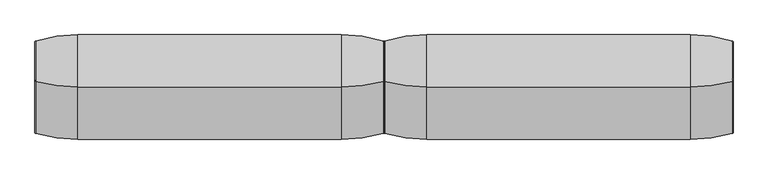
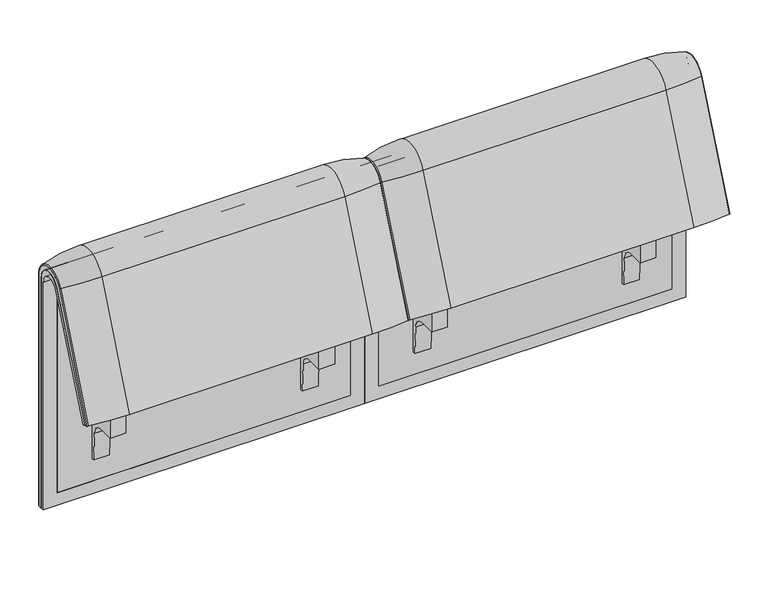
"""IFC4 building model written with IfcOpenShell, lengths in millimetres: furniture geometry."""

from ifc_helpers import new_model, si_unit, point, frame, frame_2d, origin, place, context, project, spatial, polyline, circle_curve, ellipse_curve, trimmed, segment, composite_curve, outline, extrude, source, transform, mapped, element, save
from ifc_brep_helpers import plane_surface, cylinder_surface, revolved_surface, advanced_brep


def furniture_64633e36(model_context):
    return source(origin(), model_context, "Body", "SolidModel", [
        advanced_brep(
        [(815.997793, 351.0000061, 101.8476716), (815.997793, 359.7858817, 101.8476716), (815.997793, 359.7858817, 720.3417731), (815.997793, 292.4403877, 733.7122262), (815.997793, 170.1966807, 437.98305), (815.997793, 175.0204081, 435.9866665), (815.997793, 296.2458652, 723.9869215), (815.997793, 351.0000061, 712.9272623), (0.0165441, 351.0000061, 101.8476716), (0.0165441, 351.0000061, 712.9272623), (0.0165441, 296.2720241, 723.9759107), (0.0165441, 175.0204081, 435.9866665), (0.0165441, 170.1966807, 437.98305), (0.0165441, 292.4403877, 733.7122262), (0.0165441, 359.7858817, 720.3417731), (0.0165441, 359.7858817, 101.8476716), (781.0812488, 292.4403877, 733.7122262), (781.0812488, 176.0980387, 452.25948), (34.9, 176.0980387, 452.25948), (34.9, 292.4403877, 733.7122262), (34.9, 296.2458652, 723.9869215), (34.9, 181.0136548, 450.2250668), (781.0812488, 181.0136548, 450.2250668), (781.0812488, 296.2458652, 723.9869215), (781.0812488, 351.0000061, 712.9272623), (781.0812488, 351.0000061, 135.3766997), (34.9, 351.0000061, 135.3766997), (34.9, 351.0000061, 712.9272623), (34.9, 359.7858817, 720.3417731), (34.9, 359.7858817, 135.3766997), (781.0812488, 359.7858817, 135.3766997), (781.0812488, 359.7858817, 720.3417731)],
        [
            (0, 1),
            (1, 2),
            (2, 3, circle_curve(frame((815.997793, 324.7858817, 720.3417731), z_axis=(1.0, 0.0, 0.0), x_axis=(0.0, -1.0, 0.0)), 35.0)),
            (3, 4),
            (4, 5),
            (5, 6),
            (6, 7, circle_curve(frame((815.997793, 322.520748, 712.9272623), z_axis=(-1.0, 0.0, 0.0), x_axis=(0.0, -1.0, 0.0)), 28.479258)),
            (7, 0),
            (8, 9),
            (9, 10, circle_curve(frame((0.0165441, 322.520748, 712.9272623), z_axis=(1.0, 0.0, 0.0), x_axis=(0.0, -1.0, 0.0)), 28.479258)),
            (10, 11),
            (11, 12),
            (12, 13),
            (13, 14, circle_curve(frame((0.0165441, 324.7858817, 720.3417731), z_axis=(-1.0, 0.0, 0.0), x_axis=(0.0, -1.0, 0.0)), 35.0)),
            (14, 15),
            (15, 8),
            (3, 16),
            (16, 17),
            (17, 18),
            (18, 19),
            (19, 13),
            (12, 4),
            (11, 5),
            (10, 20),
            (20, 21),
            (21, 22),
            (22, 23),
            (23, 6),
            (7, 24),
            (24, 25),
            (25, 26),
            (26, 27),
            (27, 9),
            (8, 0),
            (15, 1),
            (14, 28),
            (28, 29),
            (29, 30),
            (30, 31),
            (31, 2),
            (31, 16, circle_curve(frame((781.0812488, 324.7858817, 720.3417731), z_axis=(1.0, 0.0, 0.0), x_axis=(0.0, -1.0, 0.0)), 35.0)),
            (19, 28, circle_curve(frame((34.9, 324.7858817, 720.3417731), z_axis=(-1.0, 0.0, 0.0), x_axis=(0.0, -1.0, 0.0)), 35.0)),
            (23, 24, circle_curve(frame((781.0812488, 322.520748, 712.9272623), z_axis=(-1.0, 0.0, 0.0), x_axis=(0.0, -1.0, 0.0)), 28.479258)),
            (27, 20, circle_curve(frame((34.9, 322.520748, 712.9272623), z_axis=(1.0, 0.0, 0.0), x_axis=(0.0, -1.0, 0.0)), 28.479258)),
            (22, 17),
            (30, 25),
            (26, 29),
            (18, 21),
        ],
        [
            plane_surface(frame((815.997793, 359.7858817, 101.8476716), z_axis=(1.0, 0.0, 0.0), x_axis=(0.0, 1.0, 0.0))),
            plane_surface(frame((0.0165441, 359.7858817, 101.8476716), z_axis=(-1.0, 0.0, 0.0), x_axis=(0.0, -1.0, 0.0))),
            plane_surface(frame((815.997793, 292.4403877, 733.7122262), z_axis=(0.0, -0.9241569717933176, 0.3820129467515535), x_axis=(-1.0, 0.0, 0.0))),
            plane_surface(frame((815.997793, 170.1966807, 437.98305), z_axis=(0.0, -0.38241039441983893, -0.9239925812687368), x_axis=(-1.0, 0.0, 0.0))),
            plane_surface(frame((815.997793, 175.0204081, 435.9866665), z_axis=(0.0, 0.921678643444566, -0.3879542218073993), x_axis=(-1.0, 0.0, 0.0))),
            plane_surface(frame((815.997793, 351.0000061, 712.9272623), z_axis=(0.0, -1.0, 0.0), x_axis=(-1.0, 0.0, 0.0))),
            plane_surface(frame((815.997793, 351.0000061, 101.8476716), z_axis=(0.0, 0.0, -1.0), x_axis=(-1.0, 0.0, 0.0))),
            plane_surface(frame((815.997793, 359.7858817, 101.8476716), z_axis=(0.0, 1.0, 0.0), x_axis=(-1.0, 0.0, 0.0))),
            cylinder_surface(frame((0.0165441, 324.7858817, 720.3417731), z_axis=(1.0, 0.0, 0.0), x_axis=(0.0, -1.0, 0.0)), 35.0),
            revolved_surface(polyline([(781.0812488, 294.04149, 712.9272623), (815.997793, 294.04149, 712.9272623)]), (0.0165441, 322.520748, 712.9272623), (-1.0, 0.0, 0.0)),
            revolved_surface(polyline([(0.0165441, 294.04149, 712.9272623), (34.9, 294.04149, 712.9272623)]), (0.0165441, 322.520748, 712.9272623), (-1.0, 0.0, 0.0)),
            plane_surface(frame((781.0812488, 359.7858817, 135.3766997), z_axis=(-1.0, 0.0, 0.0), x_axis=(0.0, 1.0, 0.0))),
            plane_surface(frame((34.9, 359.7858817, 135.3766997), z_axis=(1.0, 0.0, 0.0), x_axis=(0.0, -1.0, 0.0))),
            plane_surface(frame((781.0812488, 166.9120641, 456.0612553), z_axis=(0.0, 0.38241039441982605, 0.9239925812687422), x_axis=(-1.0, 0.0, 0.0))),
            plane_surface(frame((781.0812488, 344.7858817, 135.3766997), z_axis=(0.0, 0.0, 1.0), x_axis=(-1.0, 0.0, 0.0))),
        ],
        [
            (0, [[1, 2, 3, 4, 5, 6, 7, 8]]),
            (1, [[9, 10, 11, 12, 13, 14, 15, 16]]),
            (2, [[-4, 17, 18, 19, 20, 21, -13, 22]]),
            (3, [[-5, -22, -12, 23]]),
            (4, [[-6, -23, -11, 24, 25, 26, 27, 28]]),
            (5, [[-8, 29, 30, 31, 32, 33, -9, 34]]),
            (6, [[-1, -34, -16, 35]]),
            (7, [[-2, -35, -15, 36, 37, 38, 39, 40]]),
            (8, [[-3, -40, 41, -17]]),
            (8, [[-14, -21, 42, -36]]),
            (9, [[-7, -28, 43, -29]]),
            (10, [[-10, -33, 44, -24]]),
            (11, [[45, -18, -41, -39, 46, -30, -43, -27]]),
            (12, [[47, -37, -42, -20, 48, -25, -44, -32]]),
            (13, [[-45, -26, -48, -19]]),
            (14, [[-46, -38, -47, -31]]),
        ],
    ),
        advanced_brep(
        [(781.0812488, 351.0000061, 135.3766997), (781.0812488, 359.7858817, 135.3766997), (781.0812488, 359.7858817, 720.3417731), (781.0812488, 292.4403877, 733.7122262), (781.0812488, 176.0980387, 452.25948), (781.0812488, 181.0136548, 450.2250668), (781.0812488, 296.2458652, 723.9869215), (781.0812488, 351.0000061, 712.9272623), (34.9, 351.0000061, 135.3766997), (34.9, 351.0000061, 712.9272623), (34.9, 296.2720241, 723.9759107), (34.9, 181.0136548, 450.2250668), (34.9, 176.0980387, 452.25948), (34.9, 292.4403877, 733.7122262), (34.9, 359.7858817, 720.3417731), (34.9, 359.7858817, 135.3766997)],
        [
            (0, 1),
            (1, 2),
            (2, 3, circle_curve(frame((781.0812488, 324.7858817, 720.3417731), z_axis=(1.0, 0.0, 0.0), x_axis=(0.0, -1.0, 0.0)), 35.0)),
            (3, 4),
            (4, 5),
            (5, 6),
            (6, 7, circle_curve(frame((781.0812488, 322.520748, 712.9272623), z_axis=(-1.0, 0.0, 0.0), x_axis=(0.0, -1.0, 0.0)), 28.479258)),
            (7, 0),
            (8, 9),
            (9, 10, circle_curve(frame((34.9, 322.520748, 712.9272623), z_axis=(1.0, 0.0, 0.0), x_axis=(0.0, -1.0, 0.0)), 28.479258)),
            (10, 11),
            (11, 12),
            (12, 13),
            (13, 14, circle_curve(frame((34.9, 324.7858817, 720.3417731), z_axis=(-1.0, 0.0, 0.0), x_axis=(0.0, -1.0, 0.0)), 35.0)),
            (14, 15),
            (15, 8),
            (3, 13),
            (12, 4),
            (11, 5),
            (10, 6),
            (7, 9),
            (8, 0),
            (15, 1),
            (14, 2),
        ],
        [
            plane_surface(frame((781.0812488, 359.7858817, 135.3766997), z_axis=(1.0, 0.0, 0.0), x_axis=(0.0, 1.0, 0.0))),
            plane_surface(frame((34.9, 359.7858817, 135.3766997), z_axis=(-1.0, 0.0, 0.0), x_axis=(0.0, -1.0, 0.0))),
            plane_surface(frame((781.0812488, 292.4403877, 733.7122262), z_axis=(0.0, -0.9241569717933176, 0.3820129467515535), x_axis=(-1.0, 0.0, 0.0))),
            plane_surface(frame((781.0812488, 176.0980387, 452.25948), z_axis=(0.0, -0.38241039441982716, -0.9239925812687417), x_axis=(-1.0, 0.0, 0.0))),
            plane_surface(frame((781.0812488, 181.0136548, 450.2250668), z_axis=(0.0, 0.921678643444566, -0.3879542218073993), x_axis=(-1.0, 0.0, 0.0))),
            plane_surface(frame((781.0812488, 351.0000061, 712.9272623), z_axis=(0.0, -1.0, 0.0), x_axis=(-1.0, 0.0, 0.0))),
            plane_surface(frame((781.0812488, 351.0000061, 135.3766997), z_axis=(0.0, 0.0, -1.0), x_axis=(-1.0, 0.0, 0.0))),
            plane_surface(frame((781.0812488, 359.7858817, 135.3766997), z_axis=(0.0, 1.0, 0.0), x_axis=(-1.0, 0.0, 0.0))),
            cylinder_surface(frame((34.9, 324.7858817, 720.3417731), z_axis=(1.0, 0.0, 0.0), x_axis=(0.0, -1.0, 0.0)), 35.0),
            revolved_surface(polyline([(34.9, 294.04149, 712.9272623), (781.0812488, 294.04149, 712.9272623)]), (34.9, 322.520748, 712.9272623), (-1.0, 0.0, 0.0)),
        ],
        [
            (0, [[1, 2, 3, 4, 5, 6, 7, 8]]),
            (1, [[9, 10, 11, 12, 13, 14, 15, 16]]),
            (2, [[-4, 17, -13, 18]]),
            (3, [[-5, -18, -12, 19]]),
            (4, [[-6, -19, -11, 20]]),
            (5, [[-8, 21, -9, 22]]),
            (6, [[-1, -22, -16, 23]]),
            (7, [[-2, -23, -15, 24]]),
            (8, [[-3, -24, -14, -17]]),
            (9, [[-7, -20, -10, -21]]),
        ],
    ),
        extrude(outline(composite_curve([segment(trimmed(circle_curve(frame_2d((305.0000061, 379.9223263)), 30.0), [point((305.0000061, 349.9223263))], [point((335.0000061, 379.9223263))], True, "CARTESIAN"), True, "CONTINUOUS"), segment(polyline([(335.0000061, 379.9223263), (335.0000061, 515.0657595)]), True, "CONTINUOUS"), segment(trimmed(circle_curve(frame_2d((305.0000061, 515.0657595)), 30.0), [point((335.0000061, 515.0657595))], [point((316.7219399, 542.6809051))], True, "CARTESIAN"), True, "CONTINUOUS"), segment(polyline([(316.7219399, 542.6809051), (257.4911714, 567.8228747)]), True, "CONTINUOUS"), segment(trimmed(circle_curve(frame_2d((251.6302045, 554.0153019)), 15.0), [point((257.4911714, 567.8228747))], [point((238.0355877, 560.3545758))], True, "CARTESIAN"), True, "CONTINUOUS"), segment(polyline([(238.0355877, 560.3545758), (222.2725218, 526.5505721), (213.7507451, 529.5682915), (296.3054528, 724.0549949)]), True, "CONTINUOUS"), segment(trimmed(circle_curve(frame_2d((322.520748, 712.9272623)), 28.479258), [point((296.3054528, 724.0549949))], [point((351.0000061, 712.9272623))], False, "CARTESIAN"), True, "CONTINUOUS"), segment(polyline([(351.0000061, 712.9272623), (351.0000061, 197.0551771), (343.3075759, 197.0551771), (339.4064861, 271.492405)]), True, "CONTINUOUS"), segment(trimmed(circle_curve(frame_2d((309.4476, 269.9223263)), 30.0), [point((339.4064861, 271.492405))], [point((309.4476, 299.9223263))], True, "CARTESIAN"), True, "CONTINUOUS"), segment(polyline([(309.4476, 299.9223263), (270.0000061, 299.9223263), (270.0000061, 359.9223263), (275.0000061, 359.9223263)]), True, "CONTINUOUS"), segment(trimmed(circle_curve(frame_2d((285.0000061, 359.9223263)), 10.0), [point((275.0000061, 359.9223263))], [point((285.0000061, 349.9223263))], True, "CARTESIAN"), True, "CONTINUOUS"), segment(polyline([(285.0000061, 349.9223263), (305.0000061, 349.9223263)]), True, "CONTINUOUS")], self_intersect=False), holes=[composite_curve([segment(polyline([(337.5000061, 576.3274105), (337.5000061, 716.7072663)]), True, "CONTINUOUS"), segment(trimmed(circle_curve(frame_2d((322.5000061, 716.7072663)), 15.0), [point((337.5000061, 716.7072663))], [point((308.9053893, 723.0465402))], True, "CARTESIAN"), True, "CONTINUOUS"), segment(polyline([(308.9053893, 723.0465402), (253.6256191, 604.4986904)]), True, "CONTINUOUS"), segment(trimmed(circle_curve(frame_2d((271.7517748, 596.0463251)), 20.0), [point((253.6256191, 604.4986904))], [point((265.0756376, 577.1934953))], True, "CARTESIAN"), True, "CONTINUOUS"), segment(polyline([(265.0756376, 577.1934953), (314.1406626, 559.8186587)]), True, "CONTINUOUS"), segment(trimmed(circle_curve(frame_2d((319.9867182, 576.3274105)), 17.5132879), [point((314.1406626, 559.8186587))], [point((337.5000061, 576.3274105))], True, "CARTESIAN"), True, "CONTINUOUS")], self_intersect=False)]), frame((652.9854212, 0.0, 0.0), z_axis=(1.0, 0.0, 0.0), x_axis=(0.0, 1.0, 0.0)), (0.0, 0.0, 1.0), 40.0),
        advanced_brep(
        [(715.997793, 388.2902376, 100.5089435), (813.8591645, 373.93893, 100.5089435), (815.997793, 371.0652495, 100.5089435), (815.997793, 359.7858817, 100.5089435), (-0.0165441, 359.7858817, 100.5089435), (-0.0165441, 371.0652495, 100.5089435), (2.1220844, 373.93893, 100.5089435), (99.9834559, 388.2902376, 100.5089435), (99.9834559, 388.2902376, 720.3417731), (715.997793, 388.2902376, 720.3417731), (813.8591645, 373.93893, 720.3417731), (815.997793, 371.0652495, 720.3417731), (815.997793, 282.0164812, 738.0210907), (815.997793, 159.7723383, 442.2908598), (815.997793, 170.1962447, 437.9819952), (815.997793, 292.4403877, 733.7122262), (815.997793, 359.7858817, 720.3417731), (-0.0165441, 359.7858817, 720.3417731), (715.997793, 143.8537454, 448.8710282), (99.9834559, 143.8537454, 448.8710282), (2.1220844, 157.1166065, 443.3886429), (-0.0165441, 159.7723383, 442.2908598), (-0.0165441, 170.1962447, 437.9819952), (813.8591645, 157.1166065, 443.3886429), (715.997793, 266.0978884, 744.6012592), (99.9834559, 266.0978884, 744.6012592), (813.8591645, 279.3607494, 739.1188739), (-0.0165441, 292.4403877, 733.7122262), (-0.0165441, 282.0164812, 738.0210907), (-0.0165441, 371.0652495, 720.3417731), (2.1220844, 373.93893, 720.3417731), (2.1220844, 279.3607494, 739.1188739)],
        [
            (0, 1, circle_curve(frame((715.997793, 47.4569043, 100.5089435), z_axis=(0.0, 0.0, -1.0), x_axis=(0.0, -1.0, 0.0)), 340.8333333)),
            (1, 2, circle_curve(frame((812.997793, 371.0652495, 100.5089435), z_axis=(0.0, 0.0, -1.0), x_axis=(1.0, 0.0, 0.0)), 3.0)),
            (2, 3),
            (3, 4),
            (4, 5),
            (5, 6, circle_curve(frame((2.9834559, 371.0652495, 100.5089435), z_axis=(0.0, 0.0, -1.0), x_axis=(-1.0, 0.0, 0.0)), 3.0)),
            (6, 7, circle_curve(frame((99.9834559, 47.4569043, 100.5089435), z_axis=(0.0, 0.0, -1.0), x_axis=(0.0, -1.0, 0.0)), 340.8333333)),
            (7, 0),
            (7, 8),
            (8, 9),
            (9, 0),
            (9, 10, circle_curve(frame((715.997793, 47.4569043, 720.3417731), z_axis=(0.0, 0.0, -1.0), x_axis=(0.0, -1.0, 0.0)), 340.8333333)),
            (10, 1),
            (10, 11, circle_curve(frame((812.997793, 371.0652495, 720.3417731), z_axis=(0.0, 0.0, -1.0), x_axis=(1.0, 0.0, 0.0)), 3.0)),
            (11, 2),
            (11, 12, circle_curve(frame((815.997793, 324.7858817, 720.3417731), z_axis=(1.0, 0.0, 0.0), x_axis=(0.0, 1.0, 0.0)), 46.2793679)),
            (12, 13),
            (13, 14),
            (14, 15),
            (15, 16, circle_curve(frame((815.997793, 324.7858817, 720.3417731), z_axis=(-1.0, 0.0, 0.0), x_axis=(0.0, 1.0, 0.0)), 35.0)),
            (16, 3),
            (16, 17),
            (17, 4),
            (18, 19),
            (19, 20, circle_curve(frame((99.9834559, 458.8372467, 318.6682822), z_axis=(0.0, -0.38201294675155345, -0.9241569717933176), x_axis=(0.0, 0.9241569717933176, -0.38201294675155345)), 340.8333333)),
            (20, 21, circle_curve(frame((2.9834559, 159.7723383, 442.2908598), z_axis=(0.0, -0.38201294675155345, -0.9241569717933176), x_axis=(-1.0, 0.0, 0.0)), 3.0)),
            (21, 22),
            (22, 14),
            (13, 23, circle_curve(frame((812.997793, 159.7723383, 442.2908598), z_axis=(0.0, -0.38201294675155345, -0.9241569717933176), x_axis=(1.0, 0.0, 0.0)), 3.0)),
            (23, 18, circle_curve(frame((715.997793, 458.8372467, 318.6682822), z_axis=(0.0, -0.38201294675155345, -0.9241569717933176), x_axis=(0.0, 0.9241569717933176, -0.38201294675155345)), 340.8333333)),
            (24, 9, circle_curve(frame((715.997793, 324.7858817, 720.3417731), z_axis=(-1.0, 0.0, 0.0), x_axis=(0.0, 1.0, 0.0)), 63.5043559)),
            (8, 25, circle_curve(frame((99.9834559, 324.7858817, 720.3417731), z_axis=(1.0, 0.0, 0.0), x_axis=(0.0, 1.0, 0.0)), 63.5043559)),
            (25, 24),
            (26, 10, circle_curve(frame((813.8591645, 324.7858817, 720.3417731), z_axis=(-1.0, 0.0, 0.0), x_axis=(0.0, 1.0, 0.0)), 49.1530483)),
            (24, 26, circle_curve(frame((715.997793, 581.0813896, 614.3985132), z_axis=(0.0, 0.382012946751556, 0.9241569717933165), x_axis=(0.0, 0.9241569717933165, -0.382012946751556)), 340.8333333)),
            (26, 12, circle_curve(frame((812.997793, 282.0164812, 738.0210907), z_axis=(0.0, 0.3820129467515552, 0.9241569717933168), x_axis=(1.0, 0.0, 0.0)), 3.0)),
            (27, 17, circle_curve(frame((-0.0165441, 324.7858817, 720.3417731), z_axis=(-1.0, 0.0, 0.0), x_axis=(0.0, 1.0, 0.0)), 35.0)),
            (15, 27),
            (25, 19),
            (18, 24),
            (23, 26),
            (22, 27),
            (21, 28),
            (28, 29, circle_curve(frame((-0.0165441, 324.7858817, 720.3417731), z_axis=(-1.0, 0.0, 0.0), x_axis=(0.0, 1.0, 0.0)), 46.2793679)),
            (29, 5),
            (29, 30, circle_curve(frame((2.9834559, 371.0652495, 720.3417731), z_axis=(0.0, 0.0, -1.0), x_axis=(-1.0, 0.0, 0.0)), 3.0)),
            (30, 6),
            (30, 8, circle_curve(frame((99.9834559, 47.4569043, 720.3417731), z_axis=(0.0, 0.0, -1.0), x_axis=(0.0, -1.0, 0.0)), 340.8333333)),
            (31, 30, circle_curve(frame((2.1220844, 324.7858817, 720.3417731), z_axis=(-1.0, 0.0, 0.0), x_axis=(0.0, 1.0, 0.0)), 49.1530483)),
            (28, 31, circle_curve(frame((2.9834559, 282.0164812, 738.0210907), z_axis=(0.0, 0.3820129467515544, 0.9241569717933172), x_axis=(-1.0, 0.0, 0.0)), 3.0)),
            (31, 25, circle_curve(frame((99.9834559, 581.0813896, 614.3985132), z_axis=(0.0, 0.3820129467515532, 0.9241569717933177), x_axis=(0.0, 0.9241569717933177, -0.3820129467515532)), 340.8333333)),
            (20, 31),
        ],
        [
            plane_surface(frame((412.7556477, 359.7858817, 100.5089435), z_axis=(0.0, 0.0, -1.0), x_axis=(1.0, 0.0, 0.0))),
            plane_surface(frame((99.9834559, 388.2902376, 100.5089435), z_axis=(0.0, 1.0, 0.0), x_axis=(0.0, 0.0, 1.0))),
            cylinder_surface(frame((715.997793, 47.4569043, 100.5089435), z_axis=(0.0, 0.0, -1.0), x_axis=(0.0, -1.0, 0.0)), 340.8333333),
            cylinder_surface(frame((812.997793, 371.0652495, 100.5089435), z_axis=(0.0, 0.0, -1.0), x_axis=(1.0, 0.0, 0.0)), 3.0),
            plane_surface(frame((815.997793, 371.0652495, 100.5089435), z_axis=(1.0, 0.0, 0.0), x_axis=(0.0, 0.0, 1.0))),
            plane_surface(frame((815.997793, 359.7858817, 100.5089435), z_axis=(0.0, -1.0, 0.0), x_axis=(0.0, 0.0, 1.0))),
            plane_surface(frame((412.7556477, 170.1962447, 437.9819952), z_axis=(0.0, -0.38201294675155345, -0.9241569717933176), x_axis=(1.0, 0.0, 0.0))),
            cylinder_surface(frame((412.7556477, 324.7858817, 720.3417731), z_axis=(1.0, 0.0, 0.0), x_axis=(0.0, 1.0, 0.0)), 63.5043559),
            revolved_surface(trimmed(ellipse_curve(frame((715.997793, 47.4569043, 720.3417731), z_axis=(0.0, 0.0, -1.0), x_axis=(0.0, -1.0, 0.0)), 340.8333333, 340.8333333), [point((715.997793, 388.2902376, 720.3417731))], [point((813.8591645, 373.93893, 720.3417731))], True, "CARTESIAN"), (412.7556477, 324.7858817, 720.3417731), (1.0, 0.0, 0.0)),
            revolved_surface(trimmed(ellipse_curve(frame((812.997793, 371.0652495, 720.3417731), z_axis=(0.0, 0.0, -1.0), x_axis=(1.0, 0.0, 0.0)), 3.0, 3.0), [point((813.8591645, 373.93893, 720.3417731))], [point((815.997793, 371.0652495, 720.3417731))], True, "CARTESIAN"), (412.7556477, 324.7858817, 720.3417731), (1.0, 0.0, 0.0)),
            revolved_surface(polyline([(815.997793, 359.7858817, 720.3417731), (-0.01654409999997597, 359.7858817, 720.3417731)]), (412.7556477, 324.7858817, 720.3417731), (1.0, 0.0, 0.0)),
            plane_surface(frame((99.9834559, 266.0978884, 744.6012592), z_axis=(0.0, -0.9241569717933176, 0.38201294675155356), x_axis=(0.0, -0.38201294675155356, -0.9241569717933176))),
            cylinder_surface(frame((715.997793, 581.0813896, 614.3985132), z_axis=(0.0, 0.38201294675155345, 0.9241569717933176), x_axis=(0.0, 0.9241569717933176, -0.38201294675155345)), 340.8333333),
            cylinder_surface(frame((812.997793, 282.0164812, 738.0210907), z_axis=(0.0, 0.38201294675155345, 0.9241569717933176), x_axis=(1.0, 0.0, 0.0)), 3.0),
            plane_surface(frame((815.997793, 292.4403877, 733.7122262), z_axis=(0.0, 0.9241569717933176, -0.38201294675155356), x_axis=(0.0, -0.38201294675155356, -0.9241569717933176))),
            plane_surface(frame((-0.0165441, 359.7858817, 100.5089435), z_axis=(-1.0, 0.0, 0.0), x_axis=(0.0, 0.0, 1.0))),
            cylinder_surface(frame((2.9834559, 371.0652495, 100.5089435), z_axis=(0.0, 0.0, -1.0), x_axis=(-1.0, 0.0, 0.0)), 3.0),
            cylinder_surface(frame((99.9834559, 47.4569043, 100.5089435), z_axis=(0.0, 0.0, -1.0), x_axis=(0.0, -1.0, 0.0)), 340.8333333),
            revolved_surface(trimmed(ellipse_curve(frame((2.9834559, 371.0652495, 720.3417731), z_axis=(0.0, 0.0, -1.0), x_axis=(-1.0, 0.0, 0.0)), 3.0, 3.0), [point((-0.0165441, 371.0652495, 720.3417731))], [point((2.1220844, 373.93893, 720.3417731))], True, "CARTESIAN"), (412.7556477, 324.7858817, 720.3417731), (1.0, 0.0, 0.0)),
            revolved_surface(trimmed(ellipse_curve(frame((99.9834559, 47.4569043, 720.3417731), z_axis=(0.0, 0.0, -1.0), x_axis=(0.0, -1.0, 0.0)), 340.8333333, 340.8333333), [point((2.1220844, 373.93893, 720.3417731))], [point((99.9834559, 388.2902376, 720.3417731))], True, "CARTESIAN"), (412.7556477, 324.7858817, 720.3417731), (1.0, 0.0, 0.0)),
            cylinder_surface(frame((2.9834559, 282.0164812, 738.0210907), z_axis=(0.0, 0.38201294675155345, 0.9241569717933176), x_axis=(-1.0, 0.0, 0.0)), 3.0),
            cylinder_surface(frame((99.9834559, 581.0813896, 614.3985132), z_axis=(0.0, 0.38201294675155345, 0.9241569717933176), x_axis=(0.0, 0.9241569717933176, -0.38201294675155345)), 340.8333333),
        ],
        [
            (0, [[1, 2, 3, 4, 5, 6, 7, 8]]),
            (1, [[-8, 9, 10, 11]]),
            (2, [[-1, -11, 12, 13]]),
            (3, [[-2, -13, 14, 15]]),
            (4, [[-3, -15, 16, 17, 18, 19, 20, 21]]),
            (5, [[-4, -21, 22, 23]]),
            (6, [[24, 25, 26, 27, 28, -18, 29, 30]]),
            (7, [[31, -10, 32, 33]]),
            (8, [[34, -12, -31, 35]]),
            (9, [[-16, -14, -34, 36]]),
            (10, [[37, -22, -20, 38]]),
            (11, [[-33, 39, -24, 40]]),
            (12, [[-35, -40, -30, 41]]),
            (13, [[-36, -41, -29, -17]]),
            (14, [[-38, -19, -28, 42]]),
            (15, [[-5, -23, -37, -42, -27, 43, 44, 45]]),
            (16, [[-6, -45, 46, 47]]),
            (17, [[-7, -47, 48, -9]]),
            (18, [[49, -46, -44, 50]]),
            (19, [[-32, -48, -49, 51]]),
            (20, [[-50, -43, -26, 52]]),
            (21, [[-51, -52, -25, -39]]),
        ],
    ),
        extrude(outline(composite_curve([segment(trimmed(circle_curve(frame_2d((305.0000061, 379.9223263)), 30.0), [point((305.0000061, 349.9223263))], [point((335.0000061, 379.9223263))], True, "CARTESIAN"), True, "CONTINUOUS"), segment(polyline([(335.0000061, 379.9223263), (335.0000061, 515.0657595)]), True, "CONTINUOUS"), segment(trimmed(circle_curve(frame_2d((305.0000061, 515.0657595)), 30.0), [point((335.0000061, 515.0657595))], [point((316.7219399, 542.6809051))], True, "CARTESIAN"), True, "CONTINUOUS"), segment(polyline([(316.7219399, 542.6809051), (257.4911714, 567.8228747)]), True, "CONTINUOUS"), segment(trimmed(circle_curve(frame_2d((251.6302045, 554.0153019)), 15.0), [point((257.4911714, 567.8228747))], [point((238.0355877, 560.3545758))], True, "CARTESIAN"), True, "CONTINUOUS"), segment(polyline([(238.0355877, 560.3545758), (222.2725218, 526.5505721), (213.7507451, 529.5682915), (296.3054528, 724.0549949)]), True, "CONTINUOUS"), segment(trimmed(circle_curve(frame_2d((322.520748, 712.9272623)), 28.479258), [point((296.3054528, 724.0549949))], [point((351.0000061, 712.9272623))], False, "CARTESIAN"), True, "CONTINUOUS"), segment(polyline([(351.0000061, 712.9272623), (351.0000061, 197.0551771), (343.3075759, 197.0551771), (339.4064861, 271.492405)]), True, "CONTINUOUS"), segment(trimmed(circle_curve(frame_2d((309.4476, 269.9223263)), 30.0), [point((339.4064861, 271.492405))], [point((309.4476, 299.9223263))], True, "CARTESIAN"), True, "CONTINUOUS"), segment(polyline([(309.4476, 299.9223263), (270.0000061, 299.9223263), (270.0000061, 359.9223263), (275.0000061, 359.9223263)]), True, "CONTINUOUS"), segment(trimmed(circle_curve(frame_2d((285.0000061, 359.9223263)), 10.0), [point((275.0000061, 359.9223263))], [point((285.0000061, 349.9223263))], True, "CARTESIAN"), True, "CONTINUOUS"), segment(polyline([(285.0000061, 349.9223263), (305.0000061, 349.9223263)]), True, "CONTINUOUS")], self_intersect=False), holes=[composite_curve([segment(polyline([(337.5000061, 576.3274105), (337.5000061, 716.7072663)]), True, "CONTINUOUS"), segment(trimmed(circle_curve(frame_2d((322.5000061, 716.7072663)), 15.0), [point((337.5000061, 716.7072663))], [point((308.9053893, 723.0465402))], True, "CARTESIAN"), True, "CONTINUOUS"), segment(polyline([(308.9053893, 723.0465402), (253.6256191, 604.4986904)]), True, "CONTINUOUS"), segment(trimmed(circle_curve(frame_2d((271.7517748, 596.0463251)), 20.0), [point((253.6256191, 604.4986904))], [point((265.0756376, 577.1934953))], True, "CARTESIAN"), True, "CONTINUOUS"), segment(polyline([(265.0756376, 577.1934953), (314.1406626, 559.8186587)]), True, "CONTINUOUS"), segment(trimmed(circle_curve(frame_2d((319.9867182, 576.3274105)), 17.5132879), [point((314.1406626, 559.8186587))], [point((337.5000061, 576.3274105))], True, "CARTESIAN"), True, "CONTINUOUS")], self_intersect=False)]), frame((122.9958276, 0.0, 0.0), z_axis=(1.0, 0.0, 0.0), x_axis=(0.0, 1.0, 0.0)), (0.0, 0.0, 1.0), 40.0),
        advanced_brep(
        [(0.0165441, 351.0000061, 101.8476716), (0.0165441, 359.7858817, 101.8476716), (0.0165441, 359.7858817, 720.3417731), (0.0165441, 292.4403877, 733.7122262), (0.0165441, 170.1966807, 437.98305), (0.0165441, 175.0204081, 435.9866665), (0.0165441, 296.2458652, 723.9869215), (0.0165441, 351.0000061, 712.9272623), (-815.9647047, 351.0000061, 101.8476716), (-815.9647047, 351.0000061, 712.9272623), (-815.9647047, 296.2720241, 723.9759107), (-815.9647047, 175.0204081, 435.9866665), (-815.9647047, 170.1966807, 437.98305), (-815.9647047, 292.4403877, 733.7122262), (-815.9647047, 359.7858817, 720.3417731), (-815.9647047, 359.7858817, 101.8476716), (-34.9, 292.4403877, 733.7122262), (-34.9, 176.0980387, 452.25948), (-781.0812488, 176.0980387, 452.25948), (-781.0812488, 292.4403877, 733.7122262), (-781.0812488, 296.2458652, 723.9869215), (-781.0812488, 181.0136548, 450.2250668), (-34.9, 181.0136548, 450.2250668), (-34.9, 296.2458652, 723.9869215), (-34.9, 351.0000061, 712.9272623), (-34.9, 351.0000061, 135.3766997), (-781.0812488, 351.0000061, 135.3766997), (-781.0812488, 351.0000061, 712.9272623), (-781.0812488, 359.7858817, 720.3417731), (-781.0812488, 359.7858817, 135.3766997), (-34.9, 359.7858817, 135.3766997), (-34.9, 359.7858817, 720.3417731)],
        [
            (0, 1),
            (1, 2),
            (2, 3, circle_curve(frame((0.0165441, 324.7858817, 720.3417731), z_axis=(1.0, 0.0, 0.0), x_axis=(0.0, -1.0, 0.0)), 35.0)),
            (3, 4),
            (4, 5),
            (5, 6),
            (6, 7, circle_curve(frame((0.0165441, 322.520748, 712.9272623), z_axis=(-1.0, 0.0, 0.0), x_axis=(0.0, -1.0, 0.0)), 28.479258)),
            (7, 0),
            (8, 9),
            (9, 10, circle_curve(frame((-815.9647047, 322.520748, 712.9272623), z_axis=(1.0, 0.0, 0.0), x_axis=(0.0, -1.0, 0.0)), 28.479258)),
            (10, 11),
            (11, 12),
            (12, 13),
            (13, 14, circle_curve(frame((-815.9647047, 324.7858817, 720.3417731), z_axis=(-1.0, 0.0, 0.0), x_axis=(0.0, -1.0, 0.0)), 35.0)),
            (14, 15),
            (15, 8),
            (3, 16),
            (16, 17),
            (17, 18),
            (18, 19),
            (19, 13),
            (12, 4),
            (11, 5),
            (10, 20),
            (20, 21),
            (21, 22),
            (22, 23),
            (23, 6),
            (7, 24),
            (24, 25),
            (25, 26),
            (26, 27),
            (27, 9),
            (8, 0),
            (15, 1),
            (14, 28),
            (28, 29),
            (29, 30),
            (30, 31),
            (31, 2),
            (31, 16, circle_curve(frame((-34.9, 324.7858817, 720.3417731), z_axis=(1.0, 0.0, 0.0), x_axis=(0.0, -1.0, 0.0)), 35.0)),
            (19, 28, circle_curve(frame((-781.0812488, 324.7858817, 720.3417731), z_axis=(-1.0, 0.0, 0.0), x_axis=(0.0, -1.0, 0.0)), 35.0)),
            (23, 24, circle_curve(frame((-34.9, 322.520748, 712.9272623), z_axis=(-1.0, 0.0, 0.0), x_axis=(0.0, -1.0, 0.0)), 28.479258)),
            (27, 20, circle_curve(frame((-781.0812488, 322.520748, 712.9272623), z_axis=(1.0, 0.0, 0.0), x_axis=(0.0, -1.0, 0.0)), 28.479258)),
            (22, 17),
            (30, 25),
            (26, 29),
            (18, 21),
        ],
        [
            plane_surface(frame((0.0165441, 359.7858817, 101.8476716), z_axis=(1.0, 0.0, 0.0), x_axis=(0.0, 1.0, 0.0))),
            plane_surface(frame((-815.9647047, 359.7858817, 101.8476716), z_axis=(-1.0, 0.0, 0.0), x_axis=(0.0, -1.0, 0.0))),
            plane_surface(frame((0.0165441, 292.4403877, 733.7122262), z_axis=(0.0, -0.9241569717933176, 0.3820129467515535), x_axis=(-1.0, 0.0, 0.0))),
            plane_surface(frame((0.0165441, 170.1966807, 437.98305), z_axis=(0.0, -0.38241039441983893, -0.9239925812687368), x_axis=(-1.0, 0.0, 0.0))),
            plane_surface(frame((0.0165441, 175.0204081, 435.9866665), z_axis=(0.0, 0.921678643444566, -0.3879542218073993), x_axis=(-1.0, 0.0, 0.0))),
            plane_surface(frame((0.0165441, 351.0000061, 712.9272623), z_axis=(0.0, -1.0, 0.0), x_axis=(-1.0, 0.0, 0.0))),
            plane_surface(frame((0.0165441, 351.0000061, 101.8476716), z_axis=(0.0, 0.0, -1.0), x_axis=(-1.0, 0.0, 0.0))),
            plane_surface(frame((0.0165441, 359.7858817, 101.8476716), z_axis=(0.0, 1.0, 0.0), x_axis=(-1.0, 0.0, 0.0))),
            cylinder_surface(frame((-815.9647047, 324.7858817, 720.3417731), z_axis=(1.0, 0.0, 0.0), x_axis=(0.0, -1.0, 0.0)), 35.0),
            revolved_surface(polyline([(-34.89999999999998, 294.04149, 712.9272623), (0.016544100000032813, 294.04149, 712.9272623)]), (-815.9647047, 322.520748, 712.9272623), (-1.0, 0.0, 0.0)),
            revolved_surface(polyline([(-815.9647047, 294.04149, 712.9272623), (-781.0812488, 294.04149, 712.9272623)]), (-815.9647047, 322.520748, 712.9272623), (-1.0, 0.0, 0.0)),
            plane_surface(frame((-34.9, 359.7858817, 135.3766997), z_axis=(-1.0, 0.0, 0.0), x_axis=(0.0, 1.0, 0.0))),
            plane_surface(frame((-781.0812488, 359.7858817, 135.3766997), z_axis=(1.0, 0.0, 0.0), x_axis=(0.0, -1.0, 0.0))),
            plane_surface(frame((-34.9, 166.9120641, 456.0612553), z_axis=(0.0, 0.38241039441982605, 0.9239925812687422), x_axis=(-1.0, 0.0, 0.0))),
            plane_surface(frame((-34.9, 344.7858817, 135.3766997), z_axis=(0.0, 0.0, 1.0), x_axis=(-1.0, 0.0, 0.0))),
        ],
        [
            (0, [[1, 2, 3, 4, 5, 6, 7, 8]]),
            (1, [[9, 10, 11, 12, 13, 14, 15, 16]]),
            (2, [[-4, 17, 18, 19, 20, 21, -13, 22]]),
            (3, [[-5, -22, -12, 23]]),
            (4, [[-6, -23, -11, 24, 25, 26, 27, 28]]),
            (5, [[-8, 29, 30, 31, 32, 33, -9, 34]]),
            (6, [[-1, -34, -16, 35]]),
            (7, [[-2, -35, -15, 36, 37, 38, 39, 40]]),
            (8, [[-3, -40, 41, -17]]),
            (8, [[-14, -21, 42, -36]]),
            (9, [[-7, -28, 43, -29]]),
            (10, [[-10, -33, 44, -24]]),
            (11, [[45, -18, -41, -39, 46, -30, -43, -27]]),
            (12, [[47, -37, -42, -20, 48, -25, -44, -32]]),
            (13, [[-45, -26, -48, -19]]),
            (14, [[-46, -38, -47, -31]]),
        ],
    ),
        advanced_brep(
        [(-34.9, 351.0000061, 135.3766997), (-34.9, 359.7858817, 135.3766997), (-34.9, 359.7858817, 720.3417731), (-34.9, 292.4403877, 733.7122262), (-34.9, 176.0980387, 452.25948), (-34.9, 181.0136548, 450.2250668), (-34.9, 296.2458652, 723.9869215), (-34.9, 351.0000061, 712.9272623), (-781.0812488, 351.0000061, 135.3766997), (-781.0812488, 351.0000061, 712.9272623), (-781.0812488, 296.2720241, 723.9759107), (-781.0812488, 181.0136548, 450.2250668), (-781.0812488, 176.0980387, 452.25948), (-781.0812488, 292.4403877, 733.7122262), (-781.0812488, 359.7858817, 720.3417731), (-781.0812488, 359.7858817, 135.3766997)],
        [
            (0, 1),
            (1, 2),
            (2, 3, circle_curve(frame((-34.9, 324.7858817, 720.3417731), z_axis=(1.0, 0.0, 0.0), x_axis=(0.0, -1.0, 0.0)), 35.0)),
            (3, 4),
            (4, 5),
            (5, 6),
            (6, 7, circle_curve(frame((-34.9, 322.520748, 712.9272623), z_axis=(-1.0, 0.0, 0.0), x_axis=(0.0, -1.0, 0.0)), 28.479258)),
            (7, 0),
            (8, 9),
            (9, 10, circle_curve(frame((-781.0812488, 322.520748, 712.9272623), z_axis=(1.0, 0.0, 0.0), x_axis=(0.0, -1.0, 0.0)), 28.479258)),
            (10, 11),
            (11, 12),
            (12, 13),
            (13, 14, circle_curve(frame((-781.0812488, 324.7858817, 720.3417731), z_axis=(-1.0, 0.0, 0.0), x_axis=(0.0, -1.0, 0.0)), 35.0)),
            (14, 15),
            (15, 8),
            (3, 13),
            (12, 4),
            (11, 5),
            (10, 6),
            (7, 9),
            (8, 0),
            (15, 1),
            (14, 2),
        ],
        [
            plane_surface(frame((-34.9, 359.7858817, 135.3766997), z_axis=(1.0, 0.0, 0.0), x_axis=(0.0, 1.0, 0.0))),
            plane_surface(frame((-781.0812488, 359.7858817, 135.3766997), z_axis=(-1.0, 0.0, 0.0), x_axis=(0.0, -1.0, 0.0))),
            plane_surface(frame((-34.9, 292.4403877, 733.7122262), z_axis=(0.0, -0.9241569717933176, 0.3820129467515535), x_axis=(-1.0, 0.0, 0.0))),
            plane_surface(frame((-34.9, 176.0980387, 452.25948), z_axis=(0.0, -0.38241039441982716, -0.9239925812687417), x_axis=(-1.0, 0.0, 0.0))),
            plane_surface(frame((-34.9, 181.0136548, 450.2250668), z_axis=(0.0, 0.921678643444566, -0.3879542218073993), x_axis=(-1.0, 0.0, 0.0))),
            plane_surface(frame((-34.9, 351.0000061, 712.9272623), z_axis=(0.0, -1.0, 0.0), x_axis=(-1.0, 0.0, 0.0))),
            plane_surface(frame((-34.9, 351.0000061, 135.3766997), z_axis=(0.0, 0.0, -1.0), x_axis=(-1.0, 0.0, 0.0))),
            plane_surface(frame((-34.9, 359.7858817, 135.3766997), z_axis=(0.0, 1.0, 0.0), x_axis=(-1.0, 0.0, 0.0))),
            cylinder_surface(frame((-781.0812488, 324.7858817, 720.3417731), z_axis=(1.0, 0.0, 0.0), x_axis=(0.0, -1.0, 0.0)), 35.0),
            revolved_surface(polyline([(-781.0812488, 294.04149, 712.9272623), (-34.89999999999998, 294.04149, 712.9272623)]), (-781.0812488, 322.520748, 712.9272623), (-1.0, 0.0, 0.0)),
        ],
        [
            (0, [[1, 2, 3, 4, 5, 6, 7, 8]]),
            (1, [[9, 10, 11, 12, 13, 14, 15, 16]]),
            (2, [[-4, 17, -13, 18]]),
            (3, [[-5, -18, -12, 19]]),
            (4, [[-6, -19, -11, 20]]),
            (5, [[-8, 21, -9, 22]]),
            (6, [[-1, -22, -16, 23]]),
            (7, [[-2, -23, -15, 24]]),
            (8, [[-3, -24, -14, -17]]),
            (9, [[-7, -20, -10, -21]]),
        ],
    ),
        extrude(outline(composite_curve([segment(trimmed(circle_curve(frame_2d((305.0000061, 379.9223263)), 30.0), [point((305.0000061, 349.9223263))], [point((335.0000061, 379.9223263))], True, "CARTESIAN"), True, "CONTINUOUS"), segment(polyline([(335.0000061, 379.9223263), (335.0000061, 515.0657595)]), True, "CONTINUOUS"), segment(trimmed(circle_curve(frame_2d((305.0000061, 515.0657595)), 30.0), [point((335.0000061, 515.0657595))], [point((316.7219399, 542.6809051))], True, "CARTESIAN"), True, "CONTINUOUS"), segment(polyline([(316.7219399, 542.6809051), (257.4911714, 567.8228747)]), True, "CONTINUOUS"), segment(trimmed(circle_curve(frame_2d((251.6302045, 554.0153019)), 15.0), [point((257.4911714, 567.8228747))], [point((238.0355877, 560.3545758))], True, "CARTESIAN"), True, "CONTINUOUS"), segment(polyline([(238.0355877, 560.3545758), (222.2725218, 526.5505721), (213.7507451, 529.5682915), (296.3054528, 724.0549949)]), True, "CONTINUOUS"), segment(trimmed(circle_curve(frame_2d((322.520748, 712.9272623)), 28.479258), [point((296.3054528, 724.0549949))], [point((351.0000061, 712.9272623))], False, "CARTESIAN"), True, "CONTINUOUS"), segment(polyline([(351.0000061, 712.9272623), (351.0000061, 197.0551771), (343.3075759, 197.0551771), (339.4064861, 271.492405)]), True, "CONTINUOUS"), segment(trimmed(circle_curve(frame_2d((309.4476, 269.9223263)), 30.0), [point((339.4064861, 271.492405))], [point((309.4476, 299.9223263))], True, "CARTESIAN"), True, "CONTINUOUS"), segment(polyline([(309.4476, 299.9223263), (270.0000061, 299.9223263), (270.0000061, 359.9223263), (275.0000061, 359.9223263)]), True, "CONTINUOUS"), segment(trimmed(circle_curve(frame_2d((285.0000061, 359.9223263)), 10.0), [point((275.0000061, 359.9223263))], [point((285.0000061, 349.9223263))], True, "CARTESIAN"), True, "CONTINUOUS"), segment(polyline([(285.0000061, 349.9223263), (305.0000061, 349.9223263)]), True, "CONTINUOUS")], self_intersect=False), holes=[composite_curve([segment(polyline([(337.5000061, 576.3274105), (337.5000061, 716.7072663)]), True, "CONTINUOUS"), segment(trimmed(circle_curve(frame_2d((322.5000061, 716.7072663)), 15.0), [point((337.5000061, 716.7072663))], [point((308.9053893, 723.0465402))], True, "CARTESIAN"), True, "CONTINUOUS"), segment(polyline([(308.9053893, 723.0465402), (253.6256191, 604.4986904)]), True, "CONTINUOUS"), segment(trimmed(circle_curve(frame_2d((271.7517748, 596.0463251)), 20.0), [point((253.6256191, 604.4986904))], [point((265.0756376, 577.1934953))], True, "CARTESIAN"), True, "CONTINUOUS"), segment(polyline([(265.0756376, 577.1934953), (314.1406626, 559.8186587)]), True, "CONTINUOUS"), segment(trimmed(circle_curve(frame_2d((319.9867182, 576.3274105)), 17.5132879), [point((314.1406626, 559.8186587))], [point((337.5000061, 576.3274105))], True, "CARTESIAN"), True, "CONTINUOUS")], self_intersect=False)]), frame((-162.9958276, 0.0, 0.0), z_axis=(1.0, 0.0, 0.0), x_axis=(0.0, 1.0, 0.0)), (0.0, 0.0, 1.0), 40.0),
        advanced_brep(
        [(-99.9834559, 388.2902376, 100.5089435), (-2.1220844, 373.93893, 100.5089435), (0.0165441, 371.0652495, 100.5089435), (0.0165441, 359.7858817, 100.5089435), (-815.997793, 359.7858817, 100.5089435), (-815.997793, 371.0652495, 100.5089435), (-813.8591645, 373.93893, 100.5089435), (-715.997793, 388.2902376, 100.5089435), (-715.997793, 388.2902376, 720.3417731), (-99.9834559, 388.2902376, 720.3417731), (-2.1220844, 373.93893, 720.3417731), (0.0165441, 371.0652495, 720.3417731), (0.0165441, 282.0164812, 738.0210907), (0.0165441, 159.7723383, 442.2908598), (0.0165441, 170.1962447, 437.9819952), (0.0165441, 292.4403877, 733.7122262), (0.0165441, 359.7858817, 720.3417731), (-815.997793, 359.7858817, 720.3417731), (-99.9834559, 143.8537454, 448.8710282), (-715.997793, 143.8537454, 448.8710282), (-813.8591645, 157.1166065, 443.3886429), (-815.997793, 159.7723383, 442.2908598), (-815.997793, 170.1962447, 437.9819952), (-2.1220844, 157.1166065, 443.3886429), (-99.9834559, 266.0978884, 744.6012592), (-715.997793, 266.0978884, 744.6012592), (-2.1220844, 279.3607494, 739.1188739), (-815.997793, 292.4403877, 733.7122262), (-815.997793, 282.0164812, 738.0210907), (-815.997793, 371.0652495, 720.3417731), (-813.8591645, 373.93893, 720.3417731), (-813.8591645, 279.3607494, 739.1188739)],
        [
            (0, 1, circle_curve(frame((-99.9834559, 47.4569043, 100.5089435), z_axis=(0.0, 0.0, -1.0), x_axis=(0.0, -1.0, 0.0)), 340.8333333)),
            (1, 2, circle_curve(frame((-2.9834559, 371.0652495, 100.5089435), z_axis=(0.0, 0.0, -1.0), x_axis=(1.0, 0.0, 0.0)), 3.0)),
            (2, 3),
            (3, 4),
            (4, 5),
            (5, 6, circle_curve(frame((-812.997793, 371.0652495, 100.5089435), z_axis=(0.0, 0.0, -1.0), x_axis=(-1.0, 0.0, 0.0)), 3.0)),
            (6, 7, circle_curve(frame((-715.997793, 47.4569043, 100.5089435), z_axis=(0.0, 0.0, -1.0), x_axis=(0.0, -1.0, 0.0)), 340.8333333)),
            (7, 0),
            (7, 8),
            (8, 9),
            (9, 0),
            (9, 10, circle_curve(frame((-99.9834559, 47.4569043, 720.3417731), z_axis=(0.0, 0.0, -1.0), x_axis=(0.0, -1.0, 0.0)), 340.8333333)),
            (10, 1),
            (10, 11, circle_curve(frame((-2.9834559, 371.0652495, 720.3417731), z_axis=(0.0, 0.0, -1.0), x_axis=(1.0, 0.0, 0.0)), 3.0)),
            (11, 2),
            (11, 12, circle_curve(frame((0.0165441, 324.7858817, 720.3417731), z_axis=(1.0, 0.0, 0.0), x_axis=(0.0, 1.0, 0.0)), 46.2793679)),
            (12, 13),
            (13, 14),
            (14, 15),
            (15, 16, circle_curve(frame((0.0165441, 324.7858817, 720.3417731), z_axis=(-1.0, 0.0, 0.0), x_axis=(0.0, 1.0, 0.0)), 35.0)),
            (16, 3),
            (16, 17),
            (17, 4),
            (18, 19),
            (19, 20, circle_curve(frame((-715.997793, 458.8372467, 318.6682822), z_axis=(0.0, -0.38201294675155345, -0.9241569717933176), x_axis=(0.0, 0.9241569717933176, -0.38201294675155345)), 340.8333333)),
            (20, 21, circle_curve(frame((-812.997793, 159.7723383, 442.2908598), z_axis=(0.0, -0.38201294675155345, -0.9241569717933176), x_axis=(-1.0, 0.0, 0.0)), 3.0)),
            (21, 22),
            (22, 14),
            (13, 23, circle_curve(frame((-2.9834559, 159.7723383, 442.2908598), z_axis=(0.0, -0.38201294675155345, -0.9241569717933176), x_axis=(1.0, 0.0, 0.0)), 3.0)),
            (23, 18, circle_curve(frame((-99.9834559, 458.8372467, 318.6682822), z_axis=(0.0, -0.38201294675155345, -0.9241569717933176), x_axis=(0.0, 0.9241569717933176, -0.38201294675155345)), 340.8333333)),
            (24, 9, circle_curve(frame((-99.9834559, 324.7858817, 720.3417731), z_axis=(-1.0, 0.0, 0.0), x_axis=(0.0, 1.0, 0.0)), 63.5043559)),
            (8, 25, circle_curve(frame((-715.997793, 324.7858817, 720.3417731), z_axis=(1.0, 0.0, 0.0), x_axis=(0.0, 1.0, 0.0)), 63.5043559)),
            (25, 24),
            (26, 10, circle_curve(frame((-2.1220844, 324.7858817, 720.3417731), z_axis=(-1.0, 0.0, 0.0), x_axis=(0.0, 1.0, 0.0)), 49.1530483)),
            (24, 26, circle_curve(frame((-99.9834559, 581.0813896, 614.3985132), z_axis=(0.0, 0.382012946751556, 0.9241569717933165), x_axis=(0.0, 0.9241569717933165, -0.382012946751556)), 340.8333333)),
            (26, 12, circle_curve(frame((-2.9834559, 282.0164812, 738.0210907), z_axis=(0.0, 0.3820129467515552, 0.9241569717933168), x_axis=(1.0, 0.0, 0.0)), 3.0)),
            (27, 17, circle_curve(frame((-815.997793, 324.7858817, 720.3417731), z_axis=(-1.0, 0.0, 0.0), x_axis=(0.0, 1.0, 0.0)), 35.0)),
            (15, 27),
            (25, 19),
            (18, 24),
            (23, 26),
            (22, 27),
            (21, 28),
            (28, 29, circle_curve(frame((-815.997793, 324.7858817, 720.3417731), z_axis=(-1.0, 0.0, 0.0), x_axis=(0.0, 1.0, 0.0)), 46.2793679)),
            (29, 5),
            (29, 30, circle_curve(frame((-812.997793, 371.0652495, 720.3417731), z_axis=(0.0, 0.0, -1.0), x_axis=(-1.0, 0.0, 0.0)), 3.0)),
            (30, 6),
            (30, 8, circle_curve(frame((-715.997793, 47.4569043, 720.3417731), z_axis=(0.0, 0.0, -1.0), x_axis=(0.0, -1.0, 0.0)), 340.8333333)),
            (31, 30, circle_curve(frame((-813.8591645, 324.7858817, 720.3417731), z_axis=(-1.0, 0.0, 0.0), x_axis=(0.0, 1.0, 0.0)), 49.1530483)),
            (28, 31, circle_curve(frame((-812.997793, 282.0164812, 738.0210907), z_axis=(0.0, 0.3820129467515544, 0.9241569717933172), x_axis=(-1.0, 0.0, 0.0)), 3.0)),
            (31, 25, circle_curve(frame((-715.997793, 581.0813896, 614.3985132), z_axis=(0.0, 0.3820129467515532, 0.9241569717933177), x_axis=(0.0, 0.9241569717933177, -0.3820129467515532)), 340.8333333)),
            (20, 31),
        ],
        [
            plane_surface(frame((-403.2256012, 359.7858817, 100.5089435), z_axis=(0.0, 0.0, -1.0), x_axis=(1.0, 0.0, 0.0))),
            plane_surface(frame((-715.997793, 388.2902376, 100.5089435), z_axis=(0.0, 1.0, 0.0), x_axis=(0.0, 0.0, 1.0))),
            cylinder_surface(frame((-99.9834559, 47.4569043, 100.5089435), z_axis=(0.0, 0.0, -1.0), x_axis=(0.0, -1.0, 0.0)), 340.8333333),
            cylinder_surface(frame((-2.9834559, 371.0652495, 100.5089435), z_axis=(0.0, 0.0, -1.0), x_axis=(1.0, 0.0, 0.0)), 3.0),
            plane_surface(frame((0.0165441, 371.0652495, 100.5089435), z_axis=(1.0, 0.0, 0.0), x_axis=(0.0, 0.0, 1.0))),
            plane_surface(frame((0.0165441, 359.7858817, 100.5089435), z_axis=(0.0, -1.0, 0.0), x_axis=(0.0, 0.0, 1.0))),
            plane_surface(frame((-403.2256012, 170.1962447, 437.9819952), z_axis=(0.0, -0.38201294675155345, -0.9241569717933176), x_axis=(1.0, 0.0, 0.0))),
            cylinder_surface(frame((-403.2256012, 324.7858817, 720.3417731), z_axis=(1.0, 0.0, 0.0), x_axis=(0.0, 1.0, 0.0)), 63.5043559),
            revolved_surface(trimmed(ellipse_curve(frame((-99.9834559, 47.4569043, 720.3417731), z_axis=(0.0, 0.0, -1.0), x_axis=(0.0, -1.0, 0.0)), 340.8333333, 340.8333333), [point((-99.9834559, 388.2902376, 720.3417731))], [point((-2.1220844, 373.93893, 720.3417731))], True, "CARTESIAN"), (-403.2256012, 324.7858817, 720.3417731), (1.0, 0.0, 0.0)),
            revolved_surface(trimmed(ellipse_curve(frame((-2.9834559, 371.0652495, 720.3417731), z_axis=(0.0, 0.0, -1.0), x_axis=(1.0, 0.0, 0.0)), 3.0, 3.0), [point((-2.1220844, 373.93893, 720.3417731))], [point((0.0165441, 371.0652495, 720.3417731))], True, "CARTESIAN"), (-403.2256012, 324.7858817, 720.3417731), (1.0, 0.0, 0.0)),
            revolved_surface(polyline([(0.01654409999997597, 359.7858817, 720.3417731), (-815.997793, 359.7858817, 720.3417731)]), (-403.2256012, 324.7858817, 720.3417731), (1.0, 0.0, 0.0)),
            plane_surface(frame((-715.997793, 266.0978884, 744.6012592), z_axis=(0.0, -0.9241569717933176, 0.38201294675155356), x_axis=(0.0, -0.38201294675155356, -0.9241569717933176))),
            cylinder_surface(frame((-99.9834559, 581.0813896, 614.3985132), z_axis=(0.0, 0.38201294675155345, 0.9241569717933176), x_axis=(0.0, 0.9241569717933176, -0.38201294675155345)), 340.8333333),
            cylinder_surface(frame((-2.9834559, 282.0164812, 738.0210907), z_axis=(0.0, 0.38201294675155345, 0.9241569717933176), x_axis=(1.0, 0.0, 0.0)), 3.0),
            plane_surface(frame((0.0165441, 292.4403877, 733.7122262), z_axis=(0.0, 0.9241569717933176, -0.38201294675155356), x_axis=(0.0, -0.38201294675155356, -0.9241569717933176))),
            plane_surface(frame((-815.997793, 359.7858817, 100.5089435), z_axis=(-1.0, 0.0, 0.0), x_axis=(0.0, 0.0, 1.0))),
            cylinder_surface(frame((-812.997793, 371.0652495, 100.5089435), z_axis=(0.0, 0.0, -1.0), x_axis=(-1.0, 0.0, 0.0)), 3.0),
            cylinder_surface(frame((-715.997793, 47.4569043, 100.5089435), z_axis=(0.0, 0.0, -1.0), x_axis=(0.0, -1.0, 0.0)), 340.8333333),
            revolved_surface(trimmed(ellipse_curve(frame((-812.997793, 371.0652495, 720.3417731), z_axis=(0.0, 0.0, -1.0), x_axis=(-1.0, 0.0, 0.0)), 3.0, 3.0), [point((-815.997793, 371.0652495, 720.3417731))], [point((-813.8591645, 373.93893, 720.3417731))], True, "CARTESIAN"), (-403.2256012, 324.7858817, 720.3417731), (1.0, 0.0, 0.0)),
            revolved_surface(trimmed(ellipse_curve(frame((-715.997793, 47.4569043, 720.3417731), z_axis=(0.0, 0.0, -1.0), x_axis=(0.0, -1.0, 0.0)), 340.8333333, 340.8333333), [point((-813.8591645, 373.93893, 720.3417731))], [point((-715.997793, 388.2902376, 720.3417731))], True, "CARTESIAN"), (-403.2256012, 324.7858817, 720.3417731), (1.0, 0.0, 0.0)),
            cylinder_surface(frame((-812.997793, 282.0164812, 738.0210907), z_axis=(0.0, 0.38201294675155345, 0.9241569717933176), x_axis=(-1.0, 0.0, 0.0)), 3.0),
            cylinder_surface(frame((-715.997793, 581.0813896, 614.3985132), z_axis=(0.0, 0.38201294675155345, 0.9241569717933176), x_axis=(0.0, 0.9241569717933176, -0.38201294675155345)), 340.8333333),
        ],
        [
            (0, [[1, 2, 3, 4, 5, 6, 7, 8]]),
            (1, [[-8, 9, 10, 11]]),
            (2, [[-1, -11, 12, 13]]),
            (3, [[-2, -13, 14, 15]]),
            (4, [[-3, -15, 16, 17, 18, 19, 20, 21]]),
            (5, [[-4, -21, 22, 23]]),
            (6, [[24, 25, 26, 27, 28, -18, 29, 30]]),
            (7, [[31, -10, 32, 33]]),
            (8, [[34, -12, -31, 35]]),
            (9, [[-16, -14, -34, 36]]),
            (10, [[37, -22, -20, 38]]),
            (11, [[-33, 39, -24, 40]]),
            (12, [[-35, -40, -30, 41]]),
            (13, [[-36, -41, -29, -17]]),
            (14, [[-38, -19, -28, 42]]),
            (15, [[-5, -23, -37, -42, -27, 43, 44, 45]]),
            (16, [[-6, -45, 46, 47]]),
            (17, [[-7, -47, 48, -9]]),
            (18, [[49, -46, -44, 50]]),
            (19, [[-32, -48, -49, 51]]),
            (20, [[-50, -43, -26, 52]]),
            (21, [[-51, -52, -25, -39]]),
        ],
    ),
        extrude(outline(composite_curve([segment(trimmed(circle_curve(frame_2d((305.0000061, 379.9223263)), 30.0), [point((305.0000061, 349.9223263))], [point((335.0000061, 379.9223263))], True, "CARTESIAN"), True, "CONTINUOUS"), segment(polyline([(335.0000061, 379.9223263), (335.0000061, 515.0657595)]), True, "CONTINUOUS"), segment(trimmed(circle_curve(frame_2d((305.0000061, 515.0657595)), 30.0), [point((335.0000061, 515.0657595))], [point((316.7219399, 542.6809051))], True, "CARTESIAN"), True, "CONTINUOUS"), segment(polyline([(316.7219399, 542.6809051), (257.4911714, 567.8228747)]), True, "CONTINUOUS"), segment(trimmed(circle_curve(frame_2d((251.6302045, 554.0153019)), 15.0), [point((257.4911714, 567.8228747))], [point((238.0355877, 560.3545758))], True, "CARTESIAN"), True, "CONTINUOUS"), segment(polyline([(238.0355877, 560.3545758), (222.2725218, 526.5505721), (213.7507451, 529.5682915), (296.3054528, 724.0549949)]), True, "CONTINUOUS"), segment(trimmed(circle_curve(frame_2d((322.520748, 712.9272623)), 28.479258), [point((296.3054528, 724.0549949))], [point((351.0000061, 712.9272623))], False, "CARTESIAN"), True, "CONTINUOUS"), segment(polyline([(351.0000061, 712.9272623), (351.0000061, 197.0551771), (343.3075759, 197.0551771), (339.4064861, 271.492405)]), True, "CONTINUOUS"), segment(trimmed(circle_curve(frame_2d((309.4476, 269.9223263)), 30.0), [point((339.4064861, 271.492405))], [point((309.4476, 299.9223263))], True, "CARTESIAN"), True, "CONTINUOUS"), segment(polyline([(309.4476, 299.9223263), (270.0000061, 299.9223263), (270.0000061, 359.9223263), (275.0000061, 359.9223263)]), True, "CONTINUOUS"), segment(trimmed(circle_curve(frame_2d((285.0000061, 359.9223263)), 10.0), [point((275.0000061, 359.9223263))], [point((285.0000061, 349.9223263))], True, "CARTESIAN"), True, "CONTINUOUS"), segment(polyline([(285.0000061, 349.9223263), (305.0000061, 349.9223263)]), True, "CONTINUOUS")], self_intersect=False), holes=[composite_curve([segment(polyline([(337.5000061, 576.3274105), (337.5000061, 716.7072663)]), True, "CONTINUOUS"), segment(trimmed(circle_curve(frame_2d((322.5000061, 716.7072663)), 15.0), [point((337.5000061, 716.7072663))], [point((308.9053893, 723.0465402))], True, "CARTESIAN"), True, "CONTINUOUS"), segment(polyline([(308.9053893, 723.0465402), (253.6256191, 604.4986904)]), True, "CONTINUOUS"), segment(trimmed(circle_curve(frame_2d((271.7517748, 596.0463251)), 20.0), [point((253.6256191, 604.4986904))], [point((265.0756376, 577.1934953))], True, "CARTESIAN"), True, "CONTINUOUS"), segment(polyline([(265.0756376, 577.1934953), (314.1406626, 559.8186587)]), True, "CONTINUOUS"), segment(trimmed(circle_curve(frame_2d((319.9867182, 576.3274105)), 17.5132879), [point((314.1406626, 559.8186587))], [point((337.5000061, 576.3274105))], True, "CARTESIAN"), True, "CONTINUOUS")], self_intersect=False)]), frame((-692.9854212, 0.0, 0.0), z_axis=(1.0, 0.0, 0.0), x_axis=(0.0, 1.0, 0.0)), (0.0, 0.0, 1.0), 40.0),
    ])


if __name__ == "__main__":
    model = new_model("IFC4")
    model_context = context("Model", 3, world=origin())
    ifc_project = project(units=[si_unit("LENGTHUNIT", "METRE", prefix="MILLI")], contexts=[model_context])
    site = spatial("IfcSite", under=ifc_project)
    building = spatial("IfcBuilding", under=site)
    placement = place(None, origin())
    furniture_shape = furniture_64633e36(model_context)
    element("IfcFurniture", 1, at=placement, inside=building, context=model_context, shape_type="MappedRepresentation", body=[
        mapped(furniture_shape, transform((0.0, 0.0, 0.0), x_axis=(1.0, 0.0, 0.0), y_axis=(0.0, 1.0, 0.0), z_axis=(0.0, 0.0, 1.0))),
    ])
    save(model, "model.ifc")
